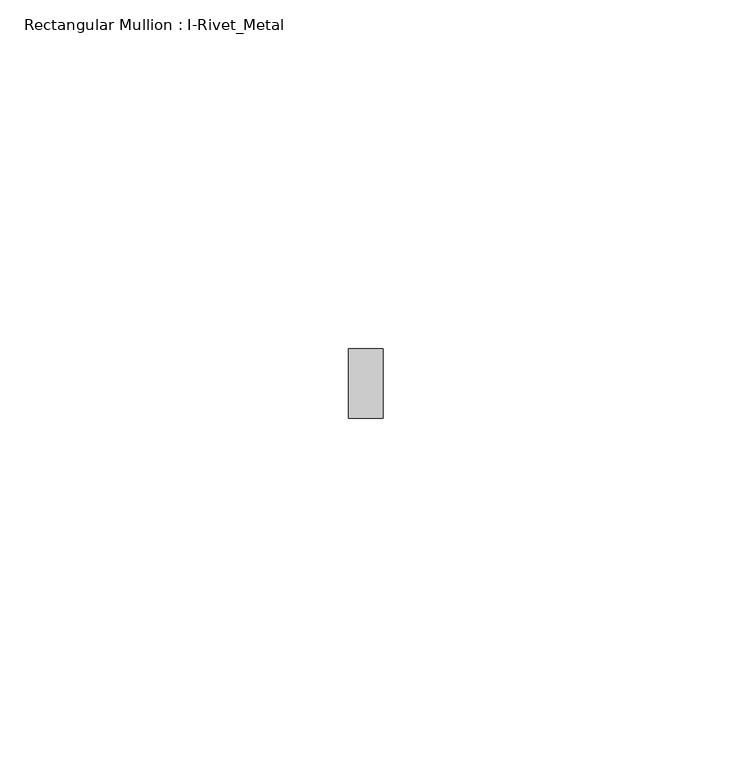
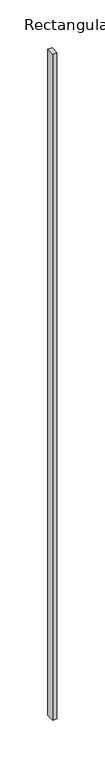
"""IFC4 building model written with IfcOpenShell, lengths in millimetres: member geometry, Rectangular Mullion : I-Rivet_Metal."""

from ifc_helpers import new_model, si_unit, frame, origin, place, context, project, spatial, polyline, outline, extrude, source, transform, mapped, element, save


def rectangular_mullion_i_rivet_metal_358beaad(model_context):
    return source(origin(), model_context, "Body", "SweptSolid", [
        extrude(outline(polyline([(2.5, 70.0), (-2.5, 70.0), (-2.5, 80.0), (2.5, 80.0), (2.5, 70.0)])), frame((0.0, 0.0, -847.5), z_axis=(0.0, 0.0, 1.0), x_axis=(1.0, 0.0, 0.0)), (0.0, 0.0, 1.0), 847.5),
    ])


if __name__ == "__main__":
    model = new_model("IFC4")
    model_context = context("Model", 3, world=origin())
    ifc_project = project(units=[si_unit("LENGTHUNIT", "METRE", prefix="MILLI")], contexts=[model_context])
    site = spatial("IfcSite", under=ifc_project)
    building = spatial("IfcBuilding", under=site)
    placement = place(None, origin())
    rectangular_mullion_i_rivet_metal_shape = rectangular_mullion_i_rivet_metal_358beaad(model_context)
    element("IfcMember", 1, ObjectType="Rectangular Mullion : I-Rivet_Metal", at=placement, inside=building, context=model_context, shape_type="MappedRepresentation", body=[
        mapped(rectangular_mullion_i_rivet_metal_shape, transform((0.0, 0.0, 0.0), x_axis=(1.0, 0.0, 0.0), y_axis=(0.0, 1.0, 0.0), z_axis=(0.0, 0.0, 1.0))),
    ])
    save(model, "model.ifc")
